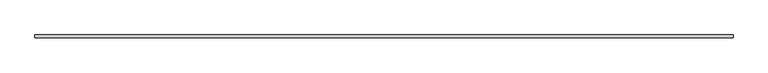
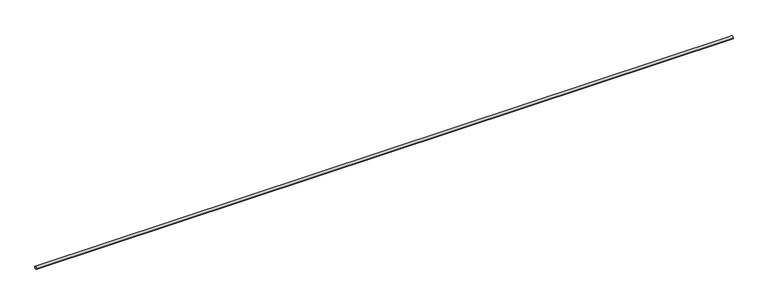
"""IFC4 building model written with IfcOpenShell, lengths in millimetres: reinforcing bar geometry."""

from ifc_helpers import new_model, si_unit, point, frame, frame_2d, origin, place, context, project, spatial, circle_curve, trimmed, segment, composite_curve, outline, extrude, source, transform, mapped, element, save


def reinforcing_bar_9b435ab7(model_context):
    return source(origin(), model_context, "Body", "SweptSolid", [
        extrude(outline(composite_curve([segment(trimmed(circle_curve(frame_2d((-1.6568014, 0.0)), 5.0), [point((-6.6568014, 0.0))], [point((3.3431986, 0.0))], False, "CARTESIAN"), True, "CONTINUOUS"), segment(trimmed(circle_curve(frame_2d((-1.6568014, 0.0)), 5.0), [point((3.3431986, 0.0))], [point((-6.6568014, 0.0))], False, "CARTESIAN"), True, "CONTINUOUS")], self_intersect=False)), frame((-1174.7458474, 0.0, 0.0), z_axis=(1.0, 0.0, 0.0), x_axis=(0.0, 1.0, 0.0)), (0.0, 0.0, 1.0), 2340.0),
    ])


if __name__ == "__main__":
    model = new_model("IFC4")
    model_context = context("Model", 3, world=origin())
    ifc_project = project(units=[si_unit("LENGTHUNIT", "METRE", prefix="MILLI")], contexts=[model_context])
    site = spatial("IfcSite", under=ifc_project)
    building = spatial("IfcBuilding", under=site)
    placement = place(None, origin())
    reinforcing_bar_shape = reinforcing_bar_9b435ab7(model_context)
    element("IfcReinforcingBar", 1, at=placement, inside=building, context=model_context, shape_type="MappedRepresentation", body=[
        mapped(reinforcing_bar_shape, transform((0.0, 0.0, 0.0), x_axis=(1.0, 0.0, 0.0), y_axis=(0.0, 1.0, 0.0), z_axis=(0.0, 0.0, 1.0))),
    ])
    save(model, "model.ifc")
